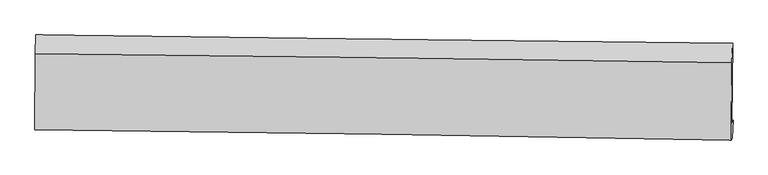
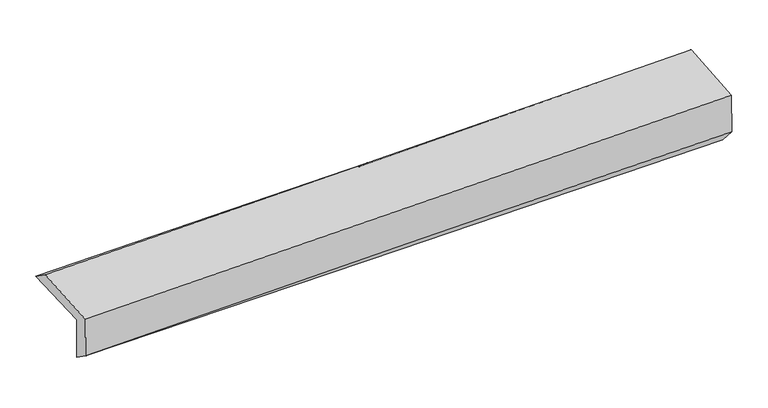
"""IFC4 building model written with IfcOpenShell, lengths in millimetres: proxy geometry."""

from ifc_helpers import new_model, si_unit, frame, origin, place, context, project, spatial, source, transform, mapped, element, save
from ifc_brep_helpers import plane_surface, spline_curve, spline_surface, advanced_brep


def generic_models_6a1f053e(model_context):
    return source(origin(), model_context, "Body", "AdvancedBrep", [
        advanced_brep(
        [(-3031.6463322, -1768.0310467, 1963.7010268), (-3026.9069901, -1089.6162715, 1984.2887943), (3016.835219, -1161.6310808, 2132.6594815), (3010.5170956, -1849.4853351, 2091.7268596), (-3021.5382982, -1749.9558158, 1574.2147077), (3021.2852903, -1830.0665728, 1677.289496), (-3025.4092259, -1899.6819376, 1680.0553962), (3015.129813, -1987.3259036, 1852.8127218), (-3035.1713662, -1913.8900864, 2057.1989674), (3005.3696269, -2001.5312082, 2229.8807975), (-3031.0873218, -1252.1107838, 2098.3464664), (3011.4732669, -1331.926402, 2271.5663324)],
        [
            (0, 1),
            (1, 2, spline_curve(3, [(-3026.9069901, -1089.6162715, 1984.2887943), (-2019.134014877, -1101.382055361, 1996.950429209), (-1011.52237969, -1113.267153125, 2015.64839244), (1003.058254014, -1137.272165397, 2065.109122002), (2010.027355254, -1149.392003859, 2095.868054103), (3016.835219, -1161.6310808, 2132.6594815)], [4, 2, 4], [0.0, 9.91805960491329, 19.832969335864366])),
            (2, 3),
            (3, 0, spline_curve(3, [(3010.5170956, -1849.4853351, 2091.7268596), (2003.810303783, -1832.569286836, 2065.088266718), (997.023269698, -1817.324217661, 2041.101423864), (-1017.031155002, -1790.171726378, 1998.424460977), (-2024.298597089, -1778.265365786, 1979.736026194), (-3031.6463322, -1768.0310467, 1963.7010268)], [4, 2, 4], [0.0, 9.914909730951075, 19.832969335864366])),
            (4, 0),
            (3, 5),
            (5, 4, spline_curve(3, [(3021.2852903, -1830.0665728, 1677.289496), (2014.597580389, -1813.204421026, 1649.81207072), (1007.765092572, -1798.098229923, 1627.484338854), (-1006.509344818, -1771.393528434, 1593.122803444), (-2013.951386838, -1759.79613353, 1581.092272671), (-3021.5382982, -1749.9558158, 1574.2147077)], [4, 2, 4], [0.0, 9.913454771261609, 19.830058954258366])),
            (6, 4),
            (5, 7),
            (7, 6, spline_curve(3, [(3015.129813, -1987.3259036, 1852.8127218), (2008.574940107, -1967.950347894, 1823.785378424), (1001.999200022, -1950.959687737, 1794.877530553), (-1011.513799537, -1921.743516548, 1737.291679257), (-2018.451072753, -1909.519521929, 1708.613752172), (-3025.4092259, -1899.6819376, 1680.0553962)], [4, 2, 4], [0.0, 9.912921446778617, 19.82899213586019])),
            (8, 6),
            (7, 9),
            (9, 8, spline_curve(3, [(3005.3696269, -2001.5312082, 2229.8807975), (1998.89995465, -1982.031648793, 2197.561872032), (992.366658905, -1964.979213314, 2167.014260965), (-1021.146964918, -1935.763951115, 2109.452525075), (-2028.127333878, -1923.602679219, 2082.439526266), (-3035.1713662, -1913.8900864, 2057.1989674)], [4, 2, 4], [0.0, 9.912578943571216, 19.828307020635325])),
            (10, 8),
            (9, 11),
            (11, 10, spline_curve(3, [(3011.4732669, -1331.926402, 2271.5663324), (2004.673879621, -1315.275810479, 2239.062105392), (997.807454305, -1300.300003594, 2208.37700653), (-1016.379365836, -1273.693732996, 2150.635895022), (-2023.699803368, -1262.064333962, 2123.581038701), (-3031.0873218, -1252.1107838, 2098.3464664)], [4, 2, 4], [0.0, 9.91416003204584, 19.831469699881577])),
            (1, 10),
            (11, 2),
        ],
        [
            spline_surface(3, 3, [[(-3031.6463322, -1768.0310467, 1963.7010268), (-2024.29859701, -1778.26536587, 1979.736026235), (-1017.031155118, -1790.171726349, 1998.424461044), (997.023269814, -1817.32421769, 2041.101423797), (2003.810303873, -1832.569286684, 2065.088266562), (3010.5170956, -1849.4853351, 2091.7268596)], [(-3030.066551489, -1541.892788296, 1970.563615981), (-2022.577069618, -1552.637595641, 1985.47416052), (-1015.194896673, -1564.536868622, 2004.165771539), (999.034931247, -1590.640200248, 2049.103989796), (2005.882654398, -1604.843525725, 2075.348195718), (3012.623136746, -1620.200583652, 2105.371066886)], [(-3028.486770811, -1315.754529904, 1977.426205119), (-2020.855542259, -1327.009825426, 1991.212294762), (-1013.358638231, -1338.90201089, 2009.907082095), (1001.046592677, -1363.956182801, 2057.106555854), (2007.955004885, -1377.117764809, 2085.608124915), (3014.729177854, -1390.915832248, 2119.015274214)], [(-3026.9069901, -1089.6162715, 1984.2887943), (-2019.134014866, -1101.382055197, 1996.950429047), (-1011.522379786, -1113.267153163, 2015.64839259), (1003.05825411, -1137.272165358, 2065.109121852), (2010.02735541, -1149.39200385, 2095.868054071), (3016.835219, -1161.6310808, 2132.6594815)]], [4, 4], [4, 2, 4], [0.0, 2.2270848304837934], [0.0, 9.91805960491329, 19.832969335864366]),
            spline_surface(3, 3, [[(-3021.5382982, -1749.9558158, 1574.2147077), (-2013.951386774, -1759.796133686, 1581.092272775), (-1006.50934487, -1771.393528406, 1593.122803507), (1007.765092624, -1798.098229951, 1627.48433879), (2014.597580226, -1813.204420904, 1649.812070869), (3021.2852903, -1830.0665728, 1677.289496)], [(-3024.907642855, -1755.980892752, 1704.043480702), (-2017.400456841, -1765.952544399, 1713.973523897), (-1010.016614935, -1777.652927742, 1728.223356033), (1004.184485038, -1804.506892554, 1765.356700473), (2011.001821447, -1819.659376149, 1788.237469437), (3017.695892073, -1836.539493552, 1815.43528387)], [(-3028.276987545, -1762.005969748, 1833.872253798), (-2020.849526943, -1772.108955157, 1846.854775113), (-1013.523885053, -1783.912327012, 1863.323908518), (1000.6038774, -1810.915555088, 1903.229062115), (2007.406062651, -1826.114331438, 1926.662867994), (3014.106493827, -1843.012414348, 1953.58107173)], [(-3031.6463322, -1768.0310467, 1963.7010268), (-2024.29859701, -1778.26536587, 1979.736026235), (-1017.031155118, -1790.171726349, 1998.424461044), (997.023269814, -1817.32421769, 2041.101423797), (2003.810303873, -1832.569286684, 2065.088266562), (3010.5170956, -1849.4853351, 2091.7268596)]], [4, 4], [4, 2, 4], [0.0, 1.3452644091393935], [0.0, 9.916604182996757, 19.830058954258366]),
            spline_surface(3, 3, [[(-3025.4092259, -1899.6819376, 1680.0553962), (-2018.451072686, -1909.519521801, 1708.613752122), (-1011.513799612, -1921.743516702, 1737.291679334), (1001.999200097, -1950.959687584, 1794.877530476), (2008.574939984, -1967.950348035, 1823.785378453), (3015.129813, -1987.3259036, 1852.8127218)], [(-3024.118916663, -1849.773230341, 1644.775166717), (-2016.951177379, -1859.61172577, 1666.106592356), (-1009.845648042, -1871.626853934, 1689.235387398), (1003.921164261, -1900.005868371, 1739.079799921), (2010.582486729, -1916.368372339, 1765.794275914), (3017.181638764, -1934.906126681, 1794.304979855)], [(-3022.828607437, -1799.864523059, 1609.494937183), (-2015.451282081, -1809.703929717, 1623.599432541), (-1008.177496439, -1821.510191173, 1641.179095443), (1005.84312846, -1849.052049164, 1683.282069346), (2012.590033481, -1864.7863966, 1707.803173408), (3019.233464536, -1882.486349719, 1735.797237945)], [(-3021.5382982, -1749.9558158, 1574.2147077), (-2013.951386774, -1759.796133686, 1581.092272775), (-1006.50934487, -1771.393528406, 1593.122803507), (1007.765092624, -1798.098229951, 1627.48433879), (2014.597580226, -1813.204420904, 1649.812070869), (3021.2852903, -1830.0665728, 1677.289496)]], [4, 4], [4, 2, 4], [0.0, 0.7133828141674643], [0.0, 9.916070689081574, 19.82899213586019]),
            spline_surface(3, 3, [[(-3035.1713662, -1913.8900864, 2057.1989674), (-2028.127333755, -1923.602679066, 2082.439526296), (-1021.146964969, -1935.763951025, 2109.452525185), (992.366658955, -1964.979213404, 2167.014260855), (1998.899954559, -1982.031648695, 2197.561872003), (3005.3696269, -2001.5312082, 2229.8807975)], [(-3031.91731944, -1909.154036808, 1931.48444366), (-2024.901913406, -1918.908293319, 1957.830934898), (-1017.935909851, -1931.090472922, 1985.3989099), (995.577506001, -1960.306038135, 2042.968684061), (2002.124949708, -1977.337881799, 2072.969707487), (3008.623022274, -1996.796106657, 2104.191438934)], [(-3028.66327266, -1904.417987192, 1805.76991994), (-2021.676493036, -1914.213907547, 1833.22234352), (-1014.724854729, -1926.416994805, 1861.345294619), (998.788353051, -1955.632862853, 1918.923107271), (2005.349944835, -1972.644114931, 1948.377542969), (3011.876417626, -1992.061005143, 1978.502080366)], [(-3025.4092259, -1899.6819376, 1680.0553962), (-2018.451072686, -1909.519521801, 1708.613752122), (-1011.513799612, -1921.743516702, 1737.291679334), (1001.999200097, -1950.959687584, 1794.877530476), (2008.574939984, -1967.950348035, 1823.785378453), (3015.129813, -1987.3259036, 1852.8127218)]], [4, 4], [4, 2, 4], [0.0, 1.2222353914833988], [0.0, 9.91572807706411, 19.828307020635325]),
            spline_surface(3, 3, [[(-3031.0873218, -1252.1107838, 2098.3464664), (-2023.699803486, -1262.064333999, 2123.58103858), (-1016.379365915, -1273.693733107, 2150.635895096), (997.807454384, -1300.300003483, 2208.377006456), (2004.673879713, -1315.275810414, 2239.062105268), (3011.4732669, -1331.926402, 2271.5663324)], [(-3032.448669943, -1472.703884676, 2084.630633413), (-2025.175646918, -1482.577115698, 2109.867201165), (-1017.9685656, -1494.383805746, 2136.908105119), (995.993855907, -1521.859740124, 2194.589424582), (2002.749237973, -1537.527756511, 2225.228694188), (3009.438720212, -1555.12800407, 2257.671154109)], [(-3033.810018057, -1693.296985524, 2070.914800387), (-2026.651490323, -1703.089897367, 2096.15336371), (-1019.557765284, -1715.073878386, 2123.180315162), (994.180257432, -1743.419476764, 2180.801842728), (2000.824596298, -1759.779702598, 2211.395283082), (3007.404173588, -1778.32960613, 2243.775975791)], [(-3035.1713662, -1913.8900864, 2057.1989674), (-2028.127333755, -1923.602679066, 2082.439526296), (-1021.146964969, -1935.763951025, 2109.452525185), (992.366658955, -1964.979213404, 2167.014260855), (1998.899954559, -1982.031648695, 2197.561872003), (3005.3696269, -2001.5312082, 2229.8807975)]], [4, 4], [4, 2, 4], [0.0, 2.1806974904987944], [0.0, 9.917309667835736, 19.831469699881577]),
            spline_surface(3, 3, [[(-3026.9069901, -1089.6162715, 1984.2887943), (-2019.134014866, -1101.382055197, 1996.950429047), (-1011.522379786, -1113.267153163, 2015.64839259), (1003.05825411, -1137.272165358, 2065.109121852), (2010.02735541, -1149.39200385, 2095.868054071), (3016.835219, -1161.6310808, 2132.6594815)], [(-3028.30043401, -1143.781108927, 2022.308018328), (-2020.655944416, -1154.942814791, 2039.160632219), (-1013.141375168, -1166.742679784, 2060.644226767), (1001.307987529, -1191.61477804, 2112.865083395), (2008.242863508, -1204.686606058, 2143.599404482), (3015.047901631, -1218.396187887, 2178.961765145)], [(-3029.69387789, -1197.945946373, 2060.327242372), (-2022.177873936, -1208.503574405, 2081.370835408), (-1014.760370533, -1220.218206486, 2105.640060919), (999.557720964, -1245.957390802, 2160.621044913), (2006.458371614, -1259.981208206, 2191.330754857), (3013.260584269, -1275.161294913, 2225.264048755)], [(-3031.0873218, -1252.1107838, 2098.3464664), (-2023.699803486, -1262.064333999, 2123.58103858), (-1016.379365915, -1273.693733107, 2150.635895096), (997.807454384, -1300.300003483, 2208.377006456), (2004.673879713, -1315.275810414, 2239.062105268), (3011.4732669, -1331.926402, 2271.5663324)]], [4, 4], [4, 2, 4], [0.0, 0.7001134518690247], [0.0, 9.919265278991128, 19.835380301110327]),
            plane_surface(frame((3013.4350519, -1693.6610838, 2042.6559481), z_axis=(0.9996183094666007, -0.010697510661392412, 0.025471526157357278), x_axis=(0.025857416491609577, 0.03763375755138524, -0.9989570032313418))),
            plane_surface(frame((-3028.6265891, -1612.2143236, 1892.9675598), z_axis=(-0.9996425885730372, 0.0077597684378898635, -0.0255828283187714), x_axis=(-0.006982521639530429, -0.9995154845426146, -0.030332170233857626))),
        ],
        [
            (0, [[1, 2, 3, 4]]),
            (1, [[5, -4, 6, 7]]),
            (2, [[8, -7, 9, 10]]),
            (3, [[11, -10, 12, 13]]),
            (4, [[14, -13, 15, 16]]),
            (5, [[17, -16, 18, -2]]),
            (6, [[-12, -9, -6, -3, -18, -15]]),
            (7, [[-1, -5, -8, -11, -14, -17]]),
        ],
    ),
    ])


if __name__ == "__main__":
    model = new_model("IFC4")
    model_context = context("Model", 3, world=origin())
    ifc_project = project(units=[si_unit("LENGTHUNIT", "METRE", prefix="MILLI")], contexts=[model_context])
    site = spatial("IfcSite", under=ifc_project)
    building = spatial("IfcBuilding", under=site)
    placement = place(None, origin())
    generic_models_shape = generic_models_6a1f053e(model_context)
    element("IfcBuildingElementProxy", 1, Name="Generic Models", at=placement, inside=building, context=model_context, shape_type="MappedRepresentation", body=[
        mapped(generic_models_shape, transform((0.0, 0.0, 0.0), x_axis=(1.0, 0.0, 0.0), y_axis=(0.0, 1.0, 0.0), z_axis=(0.0, 0.0, 1.0))),
    ])
    save(model, "model.ifc")
